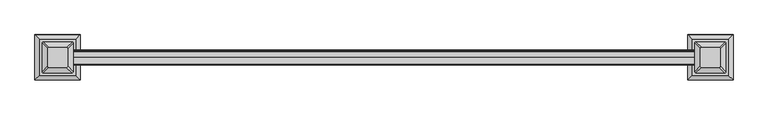
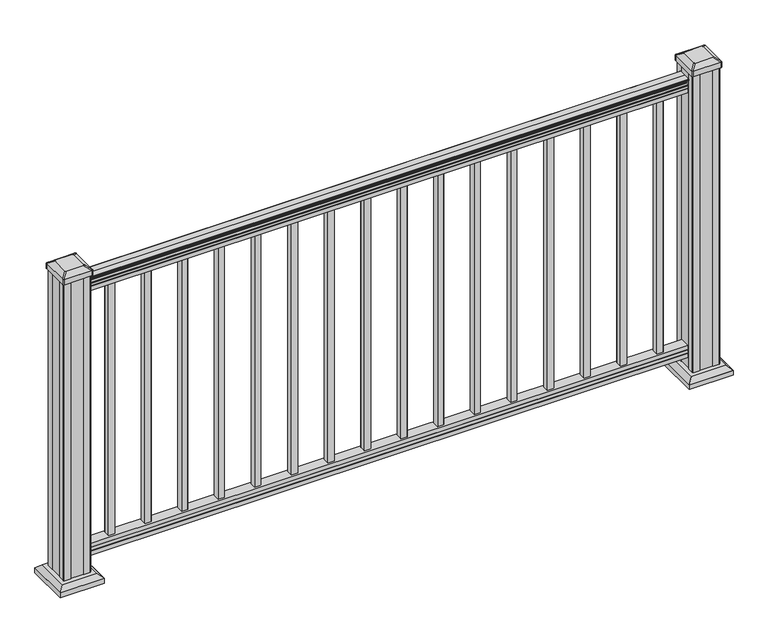
"""IFC4 building model written with IfcOpenShell, lengths in millimetres: railing geometry."""

from ifc_helpers import new_model, si_unit, point, frame, frame_2d, origin, origin_with_axes, place, context, project, spatial, polyline, circle_curve, trimmed, segment, composite_curve, outline, extrude, faceted_brep, source, transform, mapped, element, save
from ifc_brep_helpers import plane_surface, cylinder_surface, revolved_surface, extruded_surface, advanced_brep


def railing_2a31fed8(model_context):
    return source(origin(), model_context, "Body", "SolidModel", [
        advanced_brep(
        [(20630.238269, -6378.5092591, 938.4043297), (20630.238269, -6378.5092591, 940.292412), (20630.238269, -6377.3790728, 941.8546695), (20630.238269, -6377.3790728, 949.0726458), (20630.238269, -6378.0283292, 951.5060812), (20630.238269, -6375.5283292, 955.8362083), (20630.238269, -6374.1189868, 957.5157972), (20630.238269, -6373.7170878, 958.6205318), (20630.238269, -6373.7170879, 959.9608158), (20630.238269, -6375.2705351, 961.514263), (20630.238269, -6395.9420879, 961.514263), (20630.238269, -6416.6136406, 961.514263), (20630.238269, -6418.1670879, 959.9608158), (20630.238269, -6418.1670879, 958.6205318), (20630.238269, -6417.7651889, 957.5157972), (20630.238269, -6416.3558465, 955.8362083), (20630.238269, -6413.8558465, 951.5060812), (20630.238269, -6414.5051029, 949.0726458), (20630.238269, -6414.5051029, 941.8546695), (20630.238269, -6413.3749166, 940.292412), (20630.238269, -6413.3749166, 938.4043297), (20630.238269, -6410.8010879, 938.4043297), (20630.238269, -6410.8010879, 927.9048283), (20630.238269, -6411.8170879, 926.8888283), (20630.238269, -6411.8170879, 914.4), (20630.238269, -6380.0670879, 914.4), (20630.238269, -6380.0670879, 926.731013), (20630.238269, -6381.0830879, 927.747013), (20630.238269, -6381.0830879, 938.4043297), (18801.438269, -6378.5092591, 938.4043297), (18801.438269, -6381.0830879, 938.4043297), (18801.438269, -6381.0830879, 927.747013), (18801.438269, -6380.0670879, 926.731013), (18801.438269, -6380.0670879, 914.4), (18801.438269, -6411.8170879, 914.4), (18801.438269, -6411.8170879, 926.8888283), (18801.438269, -6410.8010879, 927.9048283), (18801.438269, -6410.8010879, 938.4043297), (18801.438269, -6413.3749166, 938.4043297), (18801.438269, -6413.3749166, 940.292412), (18801.438269, -6414.5051029, 941.8546695), (18801.438269, -6414.5051029, 949.0726458), (18801.438269, -6413.8558465, 951.5060812), (18801.438269, -6416.3558465, 955.8362083), (18801.438269, -6417.7651889, 957.5157972), (18801.438269, -6418.1670879, 958.6205318), (18801.438269, -6418.1670879, 959.9608158), (18801.438269, -6416.6136406, 961.514263), (18801.438269, -6395.9420879, 961.514263), (18801.438269, -6375.2705351, 961.514263), (18801.438269, -6373.7170879, 959.9608158), (18801.438269, -6373.7170879, 958.6205318), (18801.438269, -6374.1189868, 957.5157972), (18801.438269, -6375.5283292, 955.8362083), (18801.438269, -6378.0283292, 951.5060812), (18801.438269, -6377.3790728, 949.0726458), (18801.438269, -6377.3790728, 941.8546695), (18801.438269, -6378.5092591, 940.292412)],
        [
            (0, 1),
            (1, 2, circle_curve(frame((20630.238269, -6384.8240124, 946.0506383), z_axis=(1.0, 0.0, 0.0), x_axis=(0.0, -1.0, 0.0)), 8.545951)),
            (2, 3, circle_curve(frame((20630.238269, -6384.3869494, 945.4636577), z_axis=(1.0, 0.0, 0.0), x_axis=(0.0, -1.0, 0.0)), 7.882584)),
            (3, 4, circle_curve(frame((20630.238269, -6373.8736253, 951.3112527), z_axis=(-1.0, 0.0, 0.0), x_axis=(0.0, -1.0, 0.0)), 4.1592695)),
            (4, 5, circle_curve(frame((20630.238269, -6372.5863188, 951.2508864), z_axis=(-1.0, 0.0, 0.0), x_axis=(0.0, -1.0, 0.0)), 5.4479907)),
            (5, 6, circle_curve(frame((20630.238269, -6373.8194772, 955.833395), z_axis=(-1.0, 0.0, 0.0), x_axis=(0.0, -1.0, 0.0)), 1.7088543)),
            (6, 7, circle_curve(frame((20630.238269, -6375.4363773, 958.6205318), z_axis=(1.0, 0.0, 0.0), x_axis=(0.0, -1.0, 0.0)), 1.7192895)),
            (7, 8),
            (8, 9, circle_curve(frame((20630.238269, -6375.2705351, 959.9608158), z_axis=(1.0, 0.0, 0.0), x_axis=(0.0, -1.0, 0.0)), 1.5534472)),
            (9, 10),
            (10, 11),
            (11, 12, circle_curve(frame((20630.238269, -6416.6136406, 959.9608158), z_axis=(1.0, 0.0, 0.0), x_axis=(0.0, 1.0, 0.0)), 1.5534472)),
            (12, 13),
            (13, 14, circle_curve(frame((20630.238269, -6416.4477984, 958.6205318), z_axis=(1.0, 0.0, 0.0), x_axis=(0.0, 1.0, 0.0)), 1.7192895)),
            (14, 15, circle_curve(frame((20630.238269, -6418.0646985, 955.833395), z_axis=(-1.0, 0.0, 0.0), x_axis=(0.0, 1.0, 0.0)), 1.7088543)),
            (15, 16, circle_curve(frame((20630.238269, -6419.297857, 951.2508864), z_axis=(-1.0, 0.0, 0.0), x_axis=(0.0, 1.0, 0.0)), 5.4479907)),
            (16, 17, circle_curve(frame((20630.238269, -6418.0105504, 951.3112527), z_axis=(-1.0, 0.0, 0.0), x_axis=(0.0, 1.0, 0.0)), 4.1592695)),
            (17, 18, circle_curve(frame((20630.238269, -6407.4972263, 945.4636577), z_axis=(1.0, 0.0, 0.0), x_axis=(0.0, 1.0, 0.0)), 7.882584)),
            (18, 19, circle_curve(frame((20630.238269, -6407.0601633, 946.0506383), z_axis=(1.0, 0.0, 0.0), x_axis=(0.0, 1.0, 0.0)), 8.545951)),
            (19, 20),
            (20, 21, circle_curve(frame((20630.238269, -6412.0880022, 938.4043297), z_axis=(1.0, 0.0, 0.0), x_axis=(0.0, 1.0, 0.0)), 1.2869144)),
            (21, 22),
            (22, 23),
            (23, 24),
            (24, 25),
            (25, 26),
            (26, 27),
            (27, 28),
            (28, 0, circle_curve(frame((20630.238269, -6379.7961735, 938.4043297), z_axis=(1.0, 0.0, 0.0), x_axis=(0.0, -1.0, 0.0)), 1.2869144)),
            (29, 30, circle_curve(frame((18801.438269, -6379.7961735, 938.4043297), z_axis=(-1.0, 0.0, 0.0), x_axis=(0.0, -1.0, 0.0)), 1.2869144)),
            (30, 31),
            (31, 32),
            (32, 33),
            (33, 34),
            (34, 35),
            (35, 36),
            (36, 37),
            (37, 38, circle_curve(frame((18801.438269, -6412.0880022, 938.4043297), z_axis=(-1.0, 0.0, 0.0), x_axis=(0.0, 1.0, 0.0)), 1.2869144)),
            (38, 39),
            (39, 40, circle_curve(frame((18801.438269, -6407.0601633, 946.0506383), z_axis=(-1.0, 0.0, 0.0), x_axis=(0.0, 1.0, 0.0)), 8.545951)),
            (40, 41, circle_curve(frame((18801.438269, -6407.4972263, 945.4636577), z_axis=(-1.0, 0.0, 0.0), x_axis=(0.0, 1.0, 0.0)), 7.882584)),
            (41, 42, circle_curve(frame((18801.438269, -6418.0105504, 951.3112527), z_axis=(1.0, 0.0, 0.0), x_axis=(0.0, 1.0, 0.0)), 4.1592695)),
            (42, 43, circle_curve(frame((18801.438269, -6419.297857, 951.2508864), z_axis=(1.0, 0.0, 0.0), x_axis=(0.0, 1.0, 0.0)), 5.4479907)),
            (43, 44, circle_curve(frame((18801.438269, -6418.0646985, 955.833395), z_axis=(1.0, 0.0, 0.0), x_axis=(0.0, 1.0, 0.0)), 1.7088543)),
            (44, 45, circle_curve(frame((18801.438269, -6416.4477984, 958.6205318), z_axis=(-1.0, 0.0, 0.0), x_axis=(0.0, 1.0, 0.0)), 1.7192895)),
            (45, 46),
            (46, 47, circle_curve(frame((18801.438269, -6416.6136406, 959.9608158), z_axis=(-1.0, 0.0, 0.0), x_axis=(0.0, 1.0, 0.0)), 1.5534472)),
            (47, 48),
            (48, 49),
            (49, 50, circle_curve(frame((18801.438269, -6375.2705351, 959.9608158), z_axis=(-1.0, 0.0, 0.0), x_axis=(0.0, -1.0, 0.0)), 1.5534472)),
            (50, 51),
            (51, 52, circle_curve(frame((18801.438269, -6375.4363773, 958.6205318), z_axis=(-1.0, 0.0, 0.0), x_axis=(0.0, -1.0, 0.0)), 1.7192895)),
            (52, 53, circle_curve(frame((18801.438269, -6373.8194772, 955.833395), z_axis=(1.0, 0.0, 0.0), x_axis=(0.0, -1.0, 0.0)), 1.7088543)),
            (53, 54, circle_curve(frame((18801.438269, -6372.5863188, 951.2508864), z_axis=(1.0, 0.0, 0.0), x_axis=(0.0, -1.0, 0.0)), 5.4479907)),
            (54, 55, circle_curve(frame((18801.438269, -6373.8736253, 951.3112527), z_axis=(1.0, 0.0, 0.0), x_axis=(0.0, -1.0, 0.0)), 4.1592695)),
            (55, 56, circle_curve(frame((18801.438269, -6384.3869494, 945.4636577), z_axis=(-1.0, 0.0, 0.0), x_axis=(0.0, -1.0, 0.0)), 7.882584)),
            (56, 57, circle_curve(frame((18801.438269, -6384.8240124, 946.0506383), z_axis=(-1.0, 0.0, 0.0), x_axis=(0.0, -1.0, 0.0)), 8.545951)),
            (57, 29),
            (28, 30),
            (29, 0),
            (27, 31),
            (26, 32),
            (25, 33),
            (24, 34),
            (23, 35),
            (22, 36),
            (21, 37),
            (20, 38),
            (19, 39),
            (18, 40),
            (17, 41),
            (16, 42),
            (15, 43),
            (14, 44),
            (13, 45),
            (12, 46),
            (11, 47),
            (10, 48),
            (9, 49),
            (8, 50),
            (7, 51),
            (6, 52),
            (5, 53),
            (4, 54),
            (3, 55),
            (2, 56),
            (1, 57),
        ],
        [
            plane_surface(frame((20630.238269, -6395.9420879, 914.4), z_axis=(1.0, 0.0, 0.0), x_axis=(0.0, -1.0, 0.0))),
            plane_surface(frame((18801.438269, -6395.9420879, 914.4), z_axis=(-1.0, 0.0, 0.0), x_axis=(0.0, -1.0, 0.0))),
            cylinder_surface(frame((20630.238269, -6379.7961735, 938.4043297), z_axis=(1.0, 0.0, 0.0), x_axis=(0.0, -1.0, 0.0)), 1.2869144),
            plane_surface(frame((20630.238269, -6381.0830879, 927.747013), z_axis=(0.0, 1.0, 0.0), x_axis=(-1.0, 0.0, 0.0))),
            plane_surface(frame((20630.238269, -6380.0670879, 926.731013), z_axis=(0.0, 0.7071067811865395, 0.7071067811865556), x_axis=(-1.0, 0.0, 0.0))),
            plane_surface(frame((20630.238269, -6380.0670879, 914.4), z_axis=(0.0, 1.0, 0.0), x_axis=(-1.0, 0.0, 0.0))),
            plane_surface(frame((20630.238269, -6411.8170879, 914.4), z_axis=(0.0, 0.0, -1.0), x_axis=(-1.0, 0.0, 0.0))),
            plane_surface(frame((20630.238269, -6411.8170879, 926.8888283), z_axis=(0.0, -1.0, 0.0), x_axis=(-1.0, 0.0, 0.0))),
            plane_surface(frame((20630.238269, -6410.8010879, 927.9048283), z_axis=(0.0, -0.7071067811865432, 0.707106781186552), x_axis=(-1.0, 0.0, 0.0))),
            plane_surface(frame((20630.238269, -6410.8010879, 938.4043297), z_axis=(0.0, -1.0, 0.0), x_axis=(-1.0, 0.0, 0.0))),
            cylinder_surface(frame((20630.238269, -6412.0880022, 938.4043297), z_axis=(1.0, 0.0, 0.0), x_axis=(0.0, 1.0, 0.0)), 1.2869144),
            plane_surface(frame((20630.238269, -6413.3749166, 940.292412), z_axis=(0.0, -1.0, 0.0), x_axis=(-1.0, 0.0, 0.0))),
            cylinder_surface(frame((20630.238269, -6407.0601633, 946.0506383), z_axis=(1.0, 0.0, 0.0), x_axis=(0.0, 1.0, 0.0)), 8.545951),
            cylinder_surface(frame((20630.238269, -6407.4972263, 945.4636577), z_axis=(1.0, 0.0, 0.0), x_axis=(0.0, 1.0, 0.0)), 7.882584),
            revolved_surface(polyline([(18801.438269, -6413.8512809, 951.3112527), (20630.238269, -6413.8512809, 951.3112527)]), (20630.238269, -6418.0105504, 951.3112527), (-1.0, 0.0, 0.0)),
            revolved_surface(polyline([(18801.438269, -6413.849866299999, 951.2508864), (20630.238269, -6413.849866299999, 951.2508864)]), (20630.238269, -6419.297857, 951.2508864), (-1.0, 0.0, 0.0)),
            revolved_surface(polyline([(18801.438269, -6416.3558442, 955.833395), (20630.238269, -6416.3558442, 955.833395)]), (20630.238269, -6418.0646985, 955.833395), (-1.0, 0.0, 0.0)),
            cylinder_surface(frame((20630.238269, -6416.4477984, 958.6205318), z_axis=(1.0, 0.0, 0.0), x_axis=(0.0, 1.0, 0.0)), 1.7192895),
            plane_surface(frame((20630.238269, -6418.1670879, 959.9608158), z_axis=(0.0, -1.0, 0.0), x_axis=(-1.0, 0.0, 0.0))),
            cylinder_surface(frame((20630.238269, -6416.6136406, 959.9608158), z_axis=(1.0, 0.0, 0.0), x_axis=(0.0, 1.0, 0.0)), 1.5534472),
            plane_surface(frame((20630.238269, -6395.9420879, 961.514263), z_axis=(0.0, 0.0, 1.0), x_axis=(-1.0, 0.0, 0.0))),
            plane_surface(frame((20630.238269, -6375.2705351, 961.514263), z_axis=(0.0, 0.0, 1.0), x_axis=(-1.0, 0.0, 0.0))),
            cylinder_surface(frame((20630.238269, -6375.2705351, 959.9608158), z_axis=(1.0, 0.0, 0.0), x_axis=(0.0, -1.0, 0.0)), 1.5534472),
            plane_surface(frame((20630.238269, -6373.7170879, 958.6205318), z_axis=(0.0, 1.0, 0.0), x_axis=(-1.0, 0.0, 0.0))),
            cylinder_surface(frame((20630.238269, -6375.4363773, 958.6205318), z_axis=(1.0, 0.0, 0.0), x_axis=(0.0, -1.0, 0.0)), 1.7192895),
            revolved_surface(polyline([(18801.438269, -6375.5283315, 955.833395), (20630.238269, -6375.5283315, 955.833395)]), (20630.238269, -6373.8194772, 955.833395), (-1.0, 0.0, 0.0)),
            revolved_surface(polyline([(18801.438269, -6378.034309500001, 951.2508864), (20630.238269, -6378.034309500001, 951.2508864)]), (20630.238269, -6372.5863188, 951.2508864), (-1.0, 0.0, 0.0)),
            revolved_surface(polyline([(18801.438269, -6378.0328948, 951.3112527), (20630.238269, -6378.0328948, 951.3112527)]), (20630.238269, -6373.8736253, 951.3112527), (-1.0, 0.0, 0.0)),
            cylinder_surface(frame((20630.238269, -6384.3869494, 945.4636577), z_axis=(1.0, 0.0, 0.0), x_axis=(0.0, -1.0, 0.0)), 7.882584),
            cylinder_surface(frame((20630.238269, -6384.8240124, 946.0506383), z_axis=(1.0, 0.0, 0.0), x_axis=(0.0, -1.0, 0.0)), 8.545951),
            plane_surface(frame((20630.238269, -6378.5092591, 938.4043297), z_axis=(0.0, 1.0, 0.0), x_axis=(-1.0, 0.0, 0.0))),
        ],
        [
            (0, [[1, 2, 3, 4, 5, 6, 7, 8, 9, 10, 11, 12, 13, 14, 15, 16, 17, 18, 19, 20, 21, 22, 23, 24, 25, 26, 27, 28, 29]]),
            (1, [[30, 31, 32, 33, 34, 35, 36, 37, 38, 39, 40, 41, 42, 43, 44, 45, 46, 47, 48, 49, 50, 51, 52, 53, 54, 55, 56, 57, 58]]),
            (2, [[-29, 59, -30, 60]]),
            (3, [[-28, 61, -31, -59]]),
            (4, [[-27, 62, -32, -61]]),
            (5, [[-26, 63, -33, -62]]),
            (6, [[-25, 64, -34, -63]]),
            (7, [[-24, 65, -35, -64]]),
            (8, [[-23, 66, -36, -65]]),
            (9, [[-22, 67, -37, -66]]),
            (10, [[-21, 68, -38, -67]]),
            (11, [[-20, 69, -39, -68]]),
            (12, [[-19, 70, -40, -69]]),
            (13, [[-18, 71, -41, -70]]),
            (14, [[-17, 72, -42, -71]]),
            (15, [[-16, 73, -43, -72]]),
            (16, [[-15, 74, -44, -73]]),
            (17, [[-14, 75, -45, -74]]),
            (18, [[-13, 76, -46, -75]]),
            (19, [[-12, 77, -47, -76]]),
            (20, [[-11, 78, -48, -77]]),
            (21, [[-10, 79, -49, -78]]),
            (22, [[-9, 80, -50, -79]]),
            (23, [[-8, 81, -51, -80]]),
            (24, [[-7, 82, -52, -81]]),
            (25, [[-6, 83, -53, -82]]),
            (26, [[-5, 84, -54, -83]]),
            (27, [[-4, 85, -55, -84]]),
            (28, [[-3, 86, -56, -85]]),
            (29, [[-2, 87, -57, -86]]),
            (30, [[-1, -60, -58, -87]]),
        ],
    ),
        faceted_brep([(20630.238269, -6380.029601, 76.0541976), (20630.238269, -6381.045601, 77.3546183), (20630.238269, -6381.045601, 87.7141717), (20630.238269, -6380.029601, 89.0624492), (20630.238269, -6380.029601, 101.5958781), (20630.238269, -6411.779601, 101.5958781), (20630.238269, -6411.779601, 89.0458024), (20630.238269, -6410.763601, 87.6975248), (20630.238269, -6410.763601, 77.3858283), (20630.238269, -6411.779601, 76.0375508), (20630.238269, -6411.779601, 63.5), (20630.238269, -6380.029601, 63.5), (18801.438269, -6380.029601, 76.0541976), (18801.438269, -6380.029601, 63.5), (18801.438269, -6411.779601, 63.5), (18801.438269, -6411.779601, 76.0375508), (18801.438269, -6410.763601, 77.3858283), (18801.438269, -6410.763601, 87.6975248), (18801.438269, -6411.779601, 89.0458024), (18801.438269, -6411.779601, 101.5958781), (18801.438269, -6380.029601, 101.5958781), (18801.438269, -6380.029601, 89.0624492), (18801.438269, -6381.045601, 87.7141717), (18801.438269, -6381.045601, 77.3546183)], [[[0, 1, 2, 3, 4, 5, 6, 7, 8, 9, 10, 11]], [[12, 13, 14, 15, 16, 17, 18, 19, 20, 21, 22, 23]], [[0, 11, 13, 12]], [[11, 10, 14, 13]], [[10, 9, 15, 14]], [[9, 8, 16, 15]], [[8, 7, 17, 16]], [[7, 6, 18, 17]], [[6, 5, 19, 18]], [[5, 4, 20, 19]], [[4, 3, 21, 20]], [[3, 2, 22, 21]], [[2, 1, 23, 22]], [[1, 0, 12, 23]]]),
        extrude(outline(polyline([(18891.925769, -6386.4170879), (18891.925769, -6405.4670879), (18872.875769, -6405.4670879), (18872.875769, -6386.4170879), (18891.925769, -6386.4170879)]), holes=[polyline([(18891.528894, -6386.8139629), (18873.272644, -6386.8139629), (18873.272644, -6405.0702129), (18891.528894, -6405.0702129), (18891.528894, -6386.8139629)])]), frame((0.0, 0.0, 101.5958781), z_axis=(0.0, 0.0, 1.0), x_axis=(1.0, 0.0, 0.0)), (0.0, 0.0, 1.0), 812.8041219),
        extrude(outline(polyline([(19003.050769, -6386.4170879), (19003.050769, -6405.4670879), (18984.000769, -6405.4670879), (18984.000769, -6386.4170879), (19003.050769, -6386.4170879)]), holes=[polyline([(19002.653894, -6386.8139629), (18984.397644, -6386.8139629), (18984.397644, -6405.0702129), (19002.653894, -6405.0702129), (19002.653894, -6386.8139629)])]), frame((0.0, 0.0, 101.5958781), z_axis=(0.0, 0.0, 1.0), x_axis=(1.0, 0.0, 0.0)), (0.0, 0.0, 1.0), 812.8041219),
        extrude(outline(polyline([(19114.175769, -6386.4170879), (19114.175769, -6405.4670879), (19095.125769, -6405.4670879), (19095.125769, -6386.4170879), (19114.175769, -6386.4170879)]), holes=[polyline([(19113.778894, -6386.8139629), (19095.522644, -6386.8139629), (19095.522644, -6405.0702129), (19113.778894, -6405.0702129), (19113.778894, -6386.8139629)])]), frame((0.0, 0.0, 101.5958781), z_axis=(0.0, 0.0, 1.0), x_axis=(1.0, 0.0, 0.0)), (0.0, 0.0, 1.0), 812.8041219),
        extrude(outline(polyline([(19225.300769, -6386.4170879), (19225.300769, -6405.4670879), (19206.250769, -6405.4670879), (19206.250769, -6386.4170879), (19225.300769, -6386.4170879)]), holes=[polyline([(19224.903894, -6386.8139629), (19206.647644, -6386.8139629), (19206.647644, -6405.0702129), (19224.903894, -6405.0702129), (19224.903894, -6386.8139629)])]), frame((0.0, 0.0, 101.5958781), z_axis=(0.0, 0.0, 1.0), x_axis=(1.0, 0.0, 0.0)), (0.0, 0.0, 1.0), 812.8041219),
        extrude(outline(polyline([(19336.425769, -6386.4170879), (19336.425769, -6405.4670879), (19317.375769, -6405.4670879), (19317.375769, -6386.4170879), (19336.425769, -6386.4170879)]), holes=[polyline([(19336.028894, -6386.8139629), (19317.772644, -6386.8139629), (19317.772644, -6405.0702129), (19336.028894, -6405.0702129), (19336.028894, -6386.8139629)])]), frame((0.0, 0.0, 101.5958781), z_axis=(0.0, 0.0, 1.0), x_axis=(1.0, 0.0, 0.0)), (0.0, 0.0, 1.0), 812.8041219),
        extrude(outline(polyline([(19447.550769, -6386.4170879), (19447.550769, -6405.4670879), (19428.500769, -6405.4670879), (19428.500769, -6386.4170879), (19447.550769, -6386.4170879)]), holes=[polyline([(19447.153894, -6386.8139629), (19428.897644, -6386.8139629), (19428.897644, -6405.0702129), (19447.153894, -6405.0702129), (19447.153894, -6386.8139629)])]), frame((0.0, 0.0, 101.5958781), z_axis=(0.0, 0.0, 1.0), x_axis=(1.0, 0.0, 0.0)), (0.0, 0.0, 1.0), 812.8041219),
        extrude(outline(polyline([(19558.675769, -6386.4170879), (19558.675769, -6405.4670879), (19539.625769, -6405.4670879), (19539.625769, -6386.4170879), (19558.675769, -6386.4170879)]), holes=[polyline([(19558.278894, -6386.8139629), (19540.022644, -6386.8139629), (19540.022644, -6405.0702129), (19558.278894, -6405.0702129), (19558.278894, -6386.8139629)])]), frame((0.0, 0.0, 101.5958781), z_axis=(0.0, 0.0, 1.0), x_axis=(1.0, 0.0, 0.0)), (0.0, 0.0, 1.0), 812.8041219),
        extrude(outline(polyline([(19669.800769, -6386.4170879), (19669.800769, -6405.4670879), (19650.750769, -6405.4670879), (19650.750769, -6386.4170879), (19669.800769, -6386.4170879)]), holes=[polyline([(19669.403894, -6386.8139629), (19651.147644, -6386.8139629), (19651.147644, -6405.0702129), (19669.403894, -6405.0702129), (19669.403894, -6386.8139629)])]), frame((0.0, 0.0, 101.5958781), z_axis=(0.0, 0.0, 1.0), x_axis=(1.0, 0.0, 0.0)), (0.0, 0.0, 1.0), 812.8041219),
        extrude(outline(polyline([(19780.925769, -6386.4170879), (19780.925769, -6405.4670879), (19761.875769, -6405.4670879), (19761.875769, -6386.4170879), (19780.925769, -6386.4170879)]), holes=[polyline([(19780.528894, -6386.8139629), (19762.272644, -6386.8139629), (19762.272644, -6405.0702129), (19780.528894, -6405.0702129), (19780.528894, -6386.8139629)])]), frame((0.0, 0.0, 101.5958781), z_axis=(0.0, 0.0, 1.0), x_axis=(1.0, 0.0, 0.0)), (0.0, 0.0, 1.0), 812.8041219),
        extrude(outline(polyline([(19892.050769, -6386.4170879), (19892.050769, -6405.4670879), (19873.000769, -6405.4670879), (19873.000769, -6386.4170879), (19892.050769, -6386.4170879)]), holes=[polyline([(19891.653894, -6386.8139629), (19873.397644, -6386.8139629), (19873.397644, -6405.0702129), (19891.653894, -6405.0702129), (19891.653894, -6386.8139629)])]), frame((0.0, 0.0, 101.5958781), z_axis=(0.0, 0.0, 1.0), x_axis=(1.0, 0.0, 0.0)), (0.0, 0.0, 1.0), 812.8041219),
        extrude(outline(polyline([(20003.175769, -6386.4170879), (20003.175769, -6405.4670879), (19984.125769, -6405.4670879), (19984.125769, -6386.4170879), (20003.175769, -6386.4170879)]), holes=[polyline([(20002.778894, -6386.8139629), (19984.522644, -6386.8139629), (19984.522644, -6405.0702129), (20002.778894, -6405.0702129), (20002.778894, -6386.8139629)])]), frame((0.0, 0.0, 101.5958781), z_axis=(0.0, 0.0, 1.0), x_axis=(1.0, 0.0, 0.0)), (0.0, 0.0, 1.0), 812.8041219),
        extrude(outline(polyline([(20114.300769, -6386.4170879), (20114.300769, -6405.4670879), (20095.250769, -6405.4670879), (20095.250769, -6386.4170879), (20114.300769, -6386.4170879)]), holes=[polyline([(20113.903894, -6386.8139629), (20095.647644, -6386.8139629), (20095.647644, -6405.0702129), (20113.903894, -6405.0702129), (20113.903894, -6386.8139629)])]), frame((0.0, 0.0, 101.5958781), z_axis=(0.0, 0.0, 1.0), x_axis=(1.0, 0.0, 0.0)), (0.0, 0.0, 1.0), 812.8041219),
        extrude(outline(polyline([(20225.425769, -6386.4170879), (20225.425769, -6405.4670879), (20206.375769, -6405.4670879), (20206.375769, -6386.4170879), (20225.425769, -6386.4170879)]), holes=[polyline([(20225.028894, -6386.8139629), (20206.772644, -6386.8139629), (20206.772644, -6405.0702129), (20225.028894, -6405.0702129), (20225.028894, -6386.8139629)])]), frame((0.0, 0.0, 101.5958781), z_axis=(0.0, 0.0, 1.0), x_axis=(1.0, 0.0, 0.0)), (0.0, 0.0, 1.0), 812.8041219),
        extrude(outline(polyline([(20336.550769, -6386.4170879), (20336.550769, -6405.4670879), (20317.500769, -6405.4670879), (20317.500769, -6386.4170879), (20336.550769, -6386.4170879)]), holes=[polyline([(20336.153894, -6386.8139629), (20317.897644, -6386.8139629), (20317.897644, -6405.0702129), (20336.153894, -6405.0702129), (20336.153894, -6386.8139629)])]), frame((0.0, 0.0, 101.5958781), z_axis=(0.0, 0.0, 1.0), x_axis=(1.0, 0.0, 0.0)), (0.0, 0.0, 1.0), 812.8041219),
        extrude(outline(polyline([(20447.675769, -6386.4170879), (20447.675769, -6405.4670879), (20428.625769, -6405.4670879), (20428.625769, -6386.4170879), (20447.675769, -6386.4170879)]), holes=[polyline([(20447.278894, -6386.8139629), (20429.022644, -6386.8139629), (20429.022644, -6405.0702129), (20447.278894, -6405.0702129), (20447.278894, -6386.8139629)])]), frame((0.0, 0.0, 101.5958781), z_axis=(0.0, 0.0, 1.0), x_axis=(1.0, 0.0, 0.0)), (0.0, 0.0, 1.0), 812.8041219),
        extrude(outline(polyline([(20558.800769, -6386.4170879), (20558.800769, -6405.4670879), (20539.750769, -6405.4670879), (20539.750769, -6386.4170879), (20558.800769, -6386.4170879)]), holes=[polyline([(20558.403894, -6386.8139629), (20540.147644, -6386.8139629), (20540.147644, -6405.0702129), (20558.403894, -6405.0702129), (20558.403894, -6386.8139629)])]), frame((0.0, 0.0, 101.5958781), z_axis=(0.0, 0.0, 1.0), x_axis=(1.0, 0.0, 0.0)), (0.0, 0.0, 1.0), 812.8041219),
        faceted_brep([(18812.7492065, -6343.3561504, 28.575), (18707.5773315, -6343.3561504, 28.575), (18707.5773315, -6448.5280254, 28.575), (18812.7492065, -6448.5280254, 28.575), (18826.7886596, -6329.3166972, 15.24), (18826.7886596, -6462.5674785, 15.24), (18693.5378784, -6462.5674785, 15.24), (18693.5378784, -6329.3166972, 15.24)], [[[0, 1, 2, 3]], [[4, 5, 6, 7]], [[4, 0, 3, 5]], [[5, 3, 2, 6]], [[6, 2, 1, 7]], [[7, 1, 0, 4]]]),
        extrude(outline(polyline([(18826.7886596, -6329.3166972), (18826.7886596, -6462.5674785), (18693.5378784, -6462.5674785), (18693.5378784, -6329.3166972), (18826.7886596, -6329.3166972)])), origin_with_axes(), (0.0, 0.0, 1.0), 15.24),
        advanced_brep(
        [(18789.135144, -6421.7389629, 1012.825), (18789.135144, -6370.1452129, 1012.825), (18785.960144, -6366.9702129, 1012.825), (18734.366394, -6366.9702129, 1012.825), (18731.191394, -6370.1452129, 1012.825), (18731.191394, -6421.7389629, 1012.825), (18734.366394, -6424.9139629, 1012.825), (18785.960144, -6424.9139629, 1012.825), (18805.407019, -6438.0108379, 1001.522), (18802.232019, -6441.1858379, 1001.522), (18718.094519, -6441.1858379, 1001.522), (18714.919519, -6438.0108379, 1001.522), (18714.919519, -6353.8733379, 1001.522), (18718.094519, -6350.6983379, 1001.522), (18802.232019, -6350.6983379, 1001.522), (18805.407019, -6353.8733379, 1001.522)],
        [
            (0, 1),
            (1, 2, circle_curve(frame((18785.960144, -6370.1452129, 1012.825), z_axis=(0.0, 0.0, 1.0), x_axis=(-1.0, 0.0, 0.0)), 3.175)),
            (2, 3),
            (3, 4, circle_curve(frame((18734.366394, -6370.1452129, 1012.825), z_axis=(0.0, 0.0, 1.0), x_axis=(-1.0, 0.0, 0.0)), 3.175)),
            (4, 5),
            (5, 6, circle_curve(frame((18734.366394, -6421.7389629, 1012.825), z_axis=(0.0, 0.0, 1.0), x_axis=(-1.0, 0.0, 0.0)), 3.175)),
            (6, 7),
            (7, 0, circle_curve(frame((18785.960144, -6421.7389629, 1012.825), z_axis=(0.0, 0.0, 1.0), x_axis=(-1.0, 0.0, 0.0)), 3.175)),
            (8, 9, circle_curve(frame((18802.232019, -6438.0108379, 1001.522), z_axis=(0.0, 0.0, -1.0), x_axis=(-1.0, 0.0, 0.0)), 3.175)),
            (9, 10),
            (10, 11, circle_curve(frame((18718.094519, -6438.0108379, 1001.522), z_axis=(0.0, 0.0, -1.0), x_axis=(-1.0, 0.0, 0.0)), 3.175)),
            (11, 12),
            (12, 13, circle_curve(frame((18718.094519, -6353.8733379, 1001.522), z_axis=(0.0, 0.0, -1.0), x_axis=(-1.0, 0.0, 0.0)), 3.175)),
            (13, 14),
            (14, 15, circle_curve(frame((18802.232019, -6353.8733379, 1001.522), z_axis=(0.0, 0.0, -1.0), x_axis=(-1.0, 0.0, 0.0)), 3.175)),
            (15, 8),
            (8, 0),
            (7, 9),
            (6, 10),
            (5, 11),
            (4, 12),
            (3, 13),
            (2, 14),
            (1, 15),
        ],
        [
            plane_surface(frame((18760.163269, -6395.9420879, 1012.825), z_axis=(0.0, 0.0, 1.0), x_axis=(0.0, -1.0, 0.0))),
            plane_surface(frame((18760.163269, -6395.9420879, 1001.522), z_axis=(0.0, 0.0, -1.0), x_axis=(0.0, -1.0, 0.0))),
            extruded_surface(trimmed(circle_curve(frame((18785.960144, -6421.7389629, 1012.825), z_axis=(0.0, 0.0, -1.0), x_axis=(-1.0, 0.0, 0.0)), 3.175), [point((18789.135144, -6421.7389629, 1012.825))], [point((18785.960144, -6424.9139629, 1012.825))], True, "CARTESIAN"), (16.271874999998545, -16.271875000000364, -11.302999999999997), 25.637972638865467),
            plane_surface(frame((18760.163269, -6441.1858379, 1001.522), z_axis=(0.0, -0.5705009161540779, 0.8212969649690408), x_axis=(-1.0, 0.0, 0.0))),
            extruded_surface(trimmed(circle_curve(frame((18734.366394, -6421.7389629, 1012.825), z_axis=(0.0, 0.0, -1.0), x_axis=(-1.0, 0.0, 0.0)), 3.175), [point((18734.366394, -6424.9139629, 1012.825))], [point((18731.191394, -6421.7389629, 1012.825))], True, "CARTESIAN"), (-16.271875000002183, -16.271875000000364, -11.302999999999997), 25.63797263886778),
            plane_surface(frame((18714.919519, -6395.9420879, 1001.522), z_axis=(-0.5705009161540291, 0.0, 0.8212969649690747), x_axis=(0.0, 1.0, 0.0))),
            extruded_surface(trimmed(circle_curve(frame((18734.366394, -6370.1452129, 1012.825), z_axis=(0.0, 0.0, -1.0), x_axis=(-1.0, 0.0, 0.0)), 3.175), [point((18731.191394, -6370.1452129, 1012.825))], [point((18734.366394, -6366.9702129, 1012.825))], True, "CARTESIAN"), (-16.271875000002183, 16.271875000000364, -11.302999999999997), 25.63797263886778),
            plane_surface(frame((18760.163269, -6350.6983379, 1001.522), z_axis=(0.0, 0.5705009161540141, 0.8212969649690851), x_axis=(1.0, 0.0, 0.0))),
            extruded_surface(trimmed(circle_curve(frame((18785.960144, -6370.1452129, 1012.825), z_axis=(0.0, 0.0, -1.0), x_axis=(-1.0, 0.0, 0.0)), 3.175), [point((18785.960144, -6366.9702129, 1012.825))], [point((18789.135144, -6370.1452129, 1012.825))], True, "CARTESIAN"), (16.271874999998545, 16.271875000000364, -11.302999999999997), 25.637972638865467),
            plane_surface(frame((18805.407019, -6395.9420879, 1001.522), z_axis=(0.570500916154034, 0.0, 0.8212969649690713), x_axis=(0.0, -1.0, 0.0))),
        ],
        [
            (0, [[1, 2, 3, 4, 5, 6, 7, 8]]),
            (1, [[9, 10, 11, 12, 13, 14, 15, 16]]),
            (2, [[17, -8, 18, -9]]),
            (3, [[-18, -7, 19, -10]]),
            (4, [[-19, -6, 20, -11]]),
            (5, [[-20, -5, 21, -12]]),
            (6, [[-21, -4, 22, -13]]),
            (7, [[-22, -3, 23, -14]]),
            (8, [[-23, -2, 24, -15]]),
            (9, [[-24, -1, -17, -16]]),
        ],
    ),
        extrude(outline(composite_curve([segment(trimmed(circle_curve(frame_2d((18802.232019, -6438.0108379)), 3.175), [point((18805.407019, -6438.0108379))], [point((18802.232019, -6441.1858379))], False, "CARTESIAN"), True, "CONTINUOUS"), segment(polyline([(18802.232019, -6441.1858379), (18718.094519, -6441.1858379)]), True, "CONTINUOUS"), segment(trimmed(circle_curve(frame_2d((18718.094519, -6438.0108379)), 3.175), [point((18718.094519, -6441.1858379))], [point((18714.919519, -6438.0108379))], False, "CARTESIAN"), True, "CONTINUOUS"), segment(polyline([(18714.919519, -6438.0108379), (18714.919519, -6353.8733379)]), True, "CONTINUOUS"), segment(trimmed(circle_curve(frame_2d((18718.094519, -6353.8733379)), 3.175), [point((18714.919519, -6353.8733379))], [point((18718.094519, -6350.6983379))], False, "CARTESIAN"), True, "CONTINUOUS"), segment(polyline([(18718.094519, -6350.6983379), (18802.232019, -6350.6983379)]), True, "CONTINUOUS"), segment(trimmed(circle_curve(frame_2d((18802.232019, -6353.8733379)), 3.175), [point((18802.232019, -6350.6983379))], [point((18805.407019, -6353.8733379))], False, "CARTESIAN"), True, "CONTINUOUS"), segment(polyline([(18805.407019, -6353.8733379), (18805.407019, -6438.0108379)]), True, "CONTINUOUS")], self_intersect=False)), frame((0.0, 0.0, 984.25), z_axis=(0.0, 0.0, 1.0), x_axis=(1.0, 0.0, 0.0)), (0.0, 0.0, 1.0), 17.272),
        extrude(outline(polyline([(18801.438269, -6435.6295879), (18799.850769, -6437.2170879), (18780.229269, -6437.2170879), (18779.467269, -6435.6295879), (18740.859269, -6435.6295879), (18740.097269, -6437.2170879), (18720.475769, -6437.2170879), (18718.888269, -6435.6295879), (18718.888269, -6416.0080879), (18720.475769, -6415.2460879), (18720.475769, -6376.6380879), (18718.888269, -6375.8760879), (18718.888269, -6356.2545879), (18720.475769, -6354.6670879), (18740.097269, -6354.6670879), (18740.859269, -6356.2545879), (18779.467269, -6356.2545879), (18780.229269, -6354.6670879), (18799.850769, -6354.6670879), (18801.438269, -6356.2545879), (18801.438269, -6375.8760879), (18799.850769, -6376.6380879), (18799.850769, -6415.2460879), (18801.438269, -6416.0080879), (18801.438269, -6435.6295879)])), origin_with_axes(), (0.0, 0.0, 1.0), 984.25),
        faceted_brep([(20724.0992065, -6343.3561504, 28.575), (20618.9273315, -6343.3561504, 28.575), (20618.9273315, -6448.5280254, 28.575), (20724.0992065, -6448.5280254, 28.575), (20738.1386596, -6329.3166972, 15.24), (20738.1386596, -6462.5674785, 15.24), (20604.8878784, -6462.5674785, 15.24), (20604.8878784, -6329.3166972, 15.24)], [[[0, 1, 2, 3]], [[4, 5, 6, 7]], [[4, 0, 3, 5]], [[5, 3, 2, 6]], [[6, 2, 1, 7]], [[7, 1, 0, 4]]]),
        extrude(outline(polyline([(20738.1386596, -6329.3166972), (20738.1386596, -6462.5674785), (20604.8878784, -6462.5674785), (20604.8878784, -6329.3166972), (20738.1386596, -6329.3166972)])), origin_with_axes(), (0.0, 0.0, 1.0), 15.24),
        advanced_brep(
        [(20700.485144, -6421.7389629, 1012.825), (20700.485144, -6370.1452129, 1012.825), (20697.310144, -6366.9702129, 1012.825), (20645.716394, -6366.9702129, 1012.825), (20642.541394, -6370.1452129, 1012.825), (20642.541394, -6421.7389629, 1012.825), (20645.716394, -6424.9139629, 1012.825), (20697.310144, -6424.9139629, 1012.825), (20716.757019, -6438.0108379, 1001.522), (20713.582019, -6441.1858379, 1001.522), (20629.444519, -6441.1858379, 1001.522), (20626.269519, -6438.0108379, 1001.522), (20626.269519, -6353.8733379, 1001.522), (20629.444519, -6350.6983379, 1001.522), (20713.582019, -6350.6983379, 1001.522), (20716.757019, -6353.8733379, 1001.522)],
        [
            (0, 1),
            (1, 2, circle_curve(frame((20697.310144, -6370.1452129, 1012.825), z_axis=(0.0, 0.0, 1.0), x_axis=(-1.0, 0.0, 0.0)), 3.175)),
            (2, 3),
            (3, 4, circle_curve(frame((20645.716394, -6370.1452129, 1012.825), z_axis=(0.0, 0.0, 1.0), x_axis=(-1.0, 0.0, 0.0)), 3.175)),
            (4, 5),
            (5, 6, circle_curve(frame((20645.716394, -6421.7389629, 1012.825), z_axis=(0.0, 0.0, 1.0), x_axis=(-1.0, 0.0, 0.0)), 3.175)),
            (6, 7),
            (7, 0, circle_curve(frame((20697.310144, -6421.7389629, 1012.825), z_axis=(0.0, 0.0, 1.0), x_axis=(-1.0, 0.0, 0.0)), 3.175)),
            (8, 9, circle_curve(frame((20713.582019, -6438.0108379, 1001.522), z_axis=(0.0, 0.0, -1.0), x_axis=(-1.0, 0.0, 0.0)), 3.175)),
            (9, 10),
            (10, 11, circle_curve(frame((20629.444519, -6438.0108379, 1001.522), z_axis=(0.0, 0.0, -1.0), x_axis=(-1.0, 0.0, 0.0)), 3.175)),
            (11, 12),
            (12, 13, circle_curve(frame((20629.444519, -6353.8733379, 1001.522), z_axis=(0.0, 0.0, -1.0), x_axis=(-1.0, 0.0, 0.0)), 3.175)),
            (13, 14),
            (14, 15, circle_curve(frame((20713.582019, -6353.8733379, 1001.522), z_axis=(0.0, 0.0, -1.0), x_axis=(-1.0, 0.0, 0.0)), 3.175)),
            (15, 8),
            (8, 0),
            (7, 9),
            (6, 10),
            (5, 11),
            (4, 12),
            (3, 13),
            (2, 14),
            (1, 15),
        ],
        [
            plane_surface(frame((20671.513269, -6395.9420879, 1012.825), z_axis=(0.0, 0.0, 1.0), x_axis=(0.0, -1.0, 0.0))),
            plane_surface(frame((20671.513269, -6395.9420879, 1001.522), z_axis=(0.0, 0.0, -1.0), x_axis=(0.0, -1.0, 0.0))),
            extruded_surface(trimmed(circle_curve(frame((20697.310144, -6421.7389629, 1012.825), z_axis=(0.0, 0.0, -1.0), x_axis=(-1.0, 0.0, 0.0)), 3.175), [point((20700.485144, -6421.7389629, 1012.825))], [point((20697.310144, -6424.9139629, 1012.825))], True, "CARTESIAN"), (16.271875000002183, -16.271875000000364, -11.302999999999997), 25.63797263886778),
            plane_surface(frame((20671.513269, -6441.1858379, 1001.522), z_axis=(0.0, -0.5705009161540779, 0.8212969649690408), x_axis=(-1.0, 0.0, 0.0))),
            extruded_surface(trimmed(circle_curve(frame((20645.716394, -6421.7389629, 1012.825), z_axis=(0.0, 0.0, -1.0), x_axis=(-1.0, 0.0, 0.0)), 3.175), [point((20645.716394, -6424.9139629, 1012.825))], [point((20642.541394, -6421.7389629, 1012.825))], True, "CARTESIAN"), (-16.271874999998545, -16.271875000000364, -11.302999999999997), 25.637972638865467),
            plane_surface(frame((20626.269519, -6395.9420879, 1001.522), z_axis=(-0.5705009161540291, 0.0, 0.8212969649690747), x_axis=(0.0, 1.0, 0.0))),
            extruded_surface(trimmed(circle_curve(frame((20645.716394, -6370.1452129, 1012.825), z_axis=(0.0, 0.0, -1.0), x_axis=(-1.0, 0.0, 0.0)), 3.175), [point((20642.541394, -6370.1452129, 1012.825))], [point((20645.716394, -6366.9702129, 1012.825))], True, "CARTESIAN"), (-16.271874999998545, 16.271875000000364, -11.302999999999997), 25.637972638865467),
            plane_surface(frame((20671.513269, -6350.6983379, 1001.522), z_axis=(0.0, 0.5705009161540141, 0.8212969649690851), x_axis=(1.0, 0.0, 0.0))),
            extruded_surface(trimmed(circle_curve(frame((20697.310144, -6370.1452129, 1012.825), z_axis=(0.0, 0.0, -1.0), x_axis=(-1.0, 0.0, 0.0)), 3.175), [point((20697.310144, -6366.9702129, 1012.825))], [point((20700.485144, -6370.1452129, 1012.825))], True, "CARTESIAN"), (16.271875000002183, 16.271875000000364, -11.302999999999997), 25.63797263886778),
            plane_surface(frame((20716.757019, -6395.9420879, 1001.522), z_axis=(0.570500916154034, 0.0, 0.8212969649690713), x_axis=(0.0, -1.0, 0.0))),
        ],
        [
            (0, [[1, 2, 3, 4, 5, 6, 7, 8]]),
            (1, [[9, 10, 11, 12, 13, 14, 15, 16]]),
            (2, [[17, -8, 18, -9]]),
            (3, [[-18, -7, 19, -10]]),
            (4, [[-19, -6, 20, -11]]),
            (5, [[-20, -5, 21, -12]]),
            (6, [[-21, -4, 22, -13]]),
            (7, [[-22, -3, 23, -14]]),
            (8, [[-23, -2, 24, -15]]),
            (9, [[-24, -1, -17, -16]]),
        ],
    ),
        extrude(outline(composite_curve([segment(trimmed(circle_curve(frame_2d((20713.582019, -6438.0108379)), 3.175), [point((20716.757019, -6438.0108379))], [point((20713.582019, -6441.1858379))], False, "CARTESIAN"), True, "CONTINUOUS"), segment(polyline([(20713.582019, -6441.1858379), (20629.444519, -6441.1858379)]), True, "CONTINUOUS"), segment(trimmed(circle_curve(frame_2d((20629.444519, -6438.0108379)), 3.175), [point((20629.444519, -6441.1858379))], [point((20626.269519, -6438.0108379))], False, "CARTESIAN"), True, "CONTINUOUS"), segment(polyline([(20626.269519, -6438.0108379), (20626.269519, -6353.8733379)]), True, "CONTINUOUS"), segment(trimmed(circle_curve(frame_2d((20629.444519, -6353.8733379)), 3.175), [point((20626.269519, -6353.8733379))], [point((20629.444519, -6350.6983379))], False, "CARTESIAN"), True, "CONTINUOUS"), segment(polyline([(20629.444519, -6350.6983379), (20713.582019, -6350.6983379)]), True, "CONTINUOUS"), segment(trimmed(circle_curve(frame_2d((20713.582019, -6353.8733379)), 3.175), [point((20713.582019, -6350.6983379))], [point((20716.757019, -6353.8733379))], False, "CARTESIAN"), True, "CONTINUOUS"), segment(polyline([(20716.757019, -6353.8733379), (20716.757019, -6438.0108379)]), True, "CONTINUOUS")], self_intersect=False)), frame((0.0, 0.0, 984.25), z_axis=(0.0, 0.0, 1.0), x_axis=(1.0, 0.0, 0.0)), (0.0, 0.0, 1.0), 17.272),
        extrude(outline(polyline([(20712.788269, -6435.6295879), (20711.200769, -6437.2170879), (20691.579269, -6437.2170879), (20690.817269, -6435.6295879), (20652.209269, -6435.6295879), (20651.447269, -6437.2170879), (20631.825769, -6437.2170879), (20630.238269, -6435.6295879), (20630.238269, -6416.0080879), (20631.825769, -6415.2460879), (20631.825769, -6376.6380879), (20630.238269, -6375.8760879), (20630.238269, -6356.2545879), (20631.825769, -6354.6670879), (20651.447269, -6354.6670879), (20652.209269, -6356.2545879), (20690.817269, -6356.2545879), (20691.579269, -6354.6670879), (20711.200769, -6354.6670879), (20712.788269, -6356.2545879), (20712.788269, -6375.8760879), (20711.200769, -6376.6380879), (20711.200769, -6415.2460879), (20712.788269, -6416.0080879), (20712.788269, -6435.6295879)])), origin_with_axes(), (0.0, 0.0, 1.0), 984.25),
    ])


if __name__ == "__main__":
    model = new_model("IFC4")
    model_context = context("Model", 3, world=origin())
    ifc_project = project(units=[si_unit("LENGTHUNIT", "METRE", prefix="MILLI")], contexts=[model_context])
    site = spatial("IfcSite", under=ifc_project)
    building = spatial("IfcBuilding", under=site)
    placement = place(None, origin())
    railing_shape = railing_2a31fed8(model_context)
    element("IfcRailing", 1, at=placement, inside=building, context=model_context, shape_type="MappedRepresentation", body=[
        mapped(railing_shape, transform((0.0, 0.0, 0.0), x_axis=(1.0, 0.0, 0.0), y_axis=(0.0, 1.0, 0.0), z_axis=(0.0, 0.0, 1.0))),
    ])
    save(model, "model.ifc")
